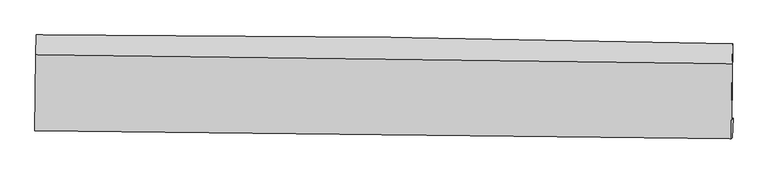
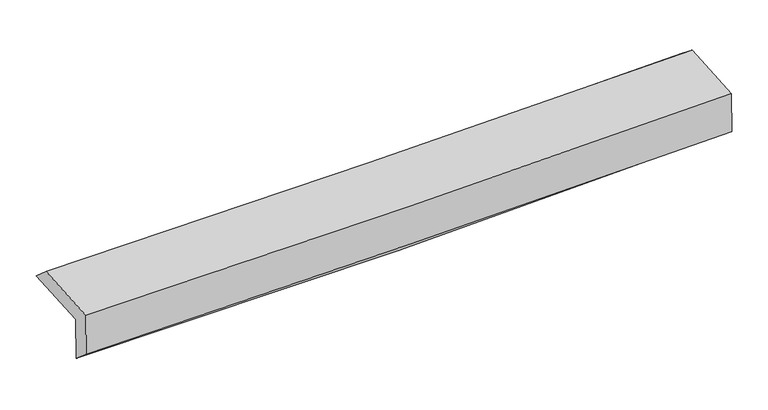
"""IFC4 building model written with IfcOpenShell, lengths in millimetres: proxy geometry."""

from ifc_helpers import new_model, si_unit, frame, origin, place, context, project, spatial, source, transform, mapped, element, save
from ifc_brep_helpers import plane_surface, spline_curve, spline_surface, advanced_brep


def generic_models_72e19114(model_context):
    return source(origin(), model_context, "Body", "AdvancedBrep", [
        advanced_brep(
        [(-3030.9930499, -1751.7982007, 1945.8196252), (-3024.3248693, -1094.2114149, 1980.332183), (3017.7606069, -1172.619481, 2133.9713384), (3009.9737905, -1828.4148391, 2113.5321523), (-3020.7296241, -1739.4735867, 1546.4718225), (3020.2429447, -1816.0833464, 1713.9614605), (-3026.4761939, -1914.0400898, 1694.1917398), (3014.852401, -1985.0507529, 1842.4089333), (-3036.747857, -1926.3745954, 2093.8600544), (3004.840362, -1997.0734944, 2231.975325), (-3030.0895354, -1267.290719, 2129.4390957), (3012.2248551, -1343.3246846, 2267.286629)],
        [
            (0, 1),
            (1, 2, spline_curve(3, [(-3024.3248693, -1094.2114149, 1980.332183), (-2016.567970597, -1094.019417951, 1976.586716312), (-1009.262223229, -1100.455336533, 1987.512885858), (1004.766555017, -1126.587150272, 2038.716622168), (2011.489300049, -1146.287254031, 2079.003504522), (3017.7606069, -1172.619481, 2133.9713384)], [4, 2, 4], [0.0, 9.914534796553943, 19.83221657613712])),
            (2, 3),
            (3, 0, spline_curve(3, [(3009.9737905, -1828.4148391, 2113.5321523), (2003.673471124, -1812.606933711, 2060.581026448), (997.029471619, -1798.317488882, 2020.129184891), (-1016.626359811, -1772.779572684, 1964.232940545), (-2023.637973742, -1761.530138187, 1948.780606305), (-3030.9930499, -1751.7982007, 1945.8196252)], [4, 2, 4], [0.0, 9.917681779583178, 19.83221657613712])),
            (4, 0),
            (3, 5),
            (5, 4, spline_curve(3, [(3020.2429447, -1816.0833464, 1713.9614605), (2014.025373878, -1800.17607405, 1657.790608173), (1007.422264378, -1785.837527153, 1615.747739013), (-1006.235503063, -1760.301936244, 1559.926824069), (-2013.289916691, -1749.103896478, 1546.139814072), (-3020.7296241, -1739.4735867, 1546.4718225)], [4, 2, 4], [0.0, 9.91692379150685, 19.830700840501922])),
            (6, 4),
            (5, 7),
            (7, 6, spline_curve(3, [(3014.852401, -1985.0507529, 1842.4089333), (2008.048722485, -1972.357142119, 1809.310594299), (1001.122927574, -1960.091910568, 1780.408697839), (-1012.653348054, -1936.421961388, 1731.005629457), (-2019.503751606, -1925.016972005, 1710.501794646), (-3026.4761939, -1914.0400898, 1694.1917398)], [4, 2, 4], [0.0, 9.916198326806608, 19.829250141298893])),
            (8, 6),
            (7, 9),
            (9, 8, spline_curve(3, [(3004.840362, -1997.0734944, 2231.975325), (1998.079032556, -1984.329029758, 2197.229195694), (991.152766602, -1972.064363744, 2168.345628932), (-1022.710077744, -1948.498368717, 2122.310925271), (-2029.646551513, -1937.196734921, 2105.156068453), (-3036.747857, -1926.3745954, 2093.8600544)], [4, 2, 4], [0.0, 9.915712752238049, 19.82827914623961])),
            (10, 8),
            (9, 11),
            (11, 10, spline_curve(3, [(3012.2248551, -1343.3246846, 2267.286629), (2005.307626491, -1331.333210851, 2232.495997528), (998.24288987, -1319.000250203, 2203.612501442), (-1015.862000405, -1293.65537853, 2157.667072194), (-2022.902060861, -1280.64368377, 2140.601390147), (-3030.0895354, -1267.290719, 2129.4390957)], [4, 2, 4], [0.0, 9.916425104675973, 19.829703625078658])),
            (1, 10),
            (11, 2),
        ],
        [
            spline_surface(3, 3, [[(-3030.9930499, -1751.7982007, 1945.8196252), (-2023.637973864, -1761.530138163, 1948.780606157), (-1016.626359869, -1772.779572791, 1964.232940398), (997.029471678, -1798.317488774, 2020.129185037), (2003.673471132, -1812.606933592, 2060.581026527), (3009.9737905, -1828.4148391, 2113.5321523)], [(-3028.770323038, -1532.602605429, 1957.32381111), (-2021.281306126, -1539.02656481, 1958.049309522), (-1014.17164771, -1548.671494029, 1971.992922192), (999.608499492, -1574.407375955, 2026.32499743), (2006.278747391, -1590.500373698, 2066.721852528), (3012.569395954, -1609.816386378, 2120.34521432)], [(-3026.547596162, -1313.407010171, 1968.82799709), (-2018.924638374, -1316.522991469, 1967.318012959), (-1011.716935522, -1324.563415259, 1979.752904001), (1002.187527336, -1350.497263127, 2032.520809839), (2008.884023686, -1368.39381387, 2072.862678569), (3015.165001446, -1391.217933722, 2127.15827638)], [(-3024.3248693, -1094.2114149, 1980.332183), (-2016.567970635, -1094.019418116, 1976.586716324), (-1009.262223363, -1100.455336497, 1987.512885794), (1004.766555151, -1126.587150308, 2038.716622232), (2011.489299944, -1146.287253976, 2079.003504571), (3017.7606069, -1172.619481, 2133.9713384)]], [4, 4], [4, 2, 4], [0.0, 2.2060220797920005], [0.0, 9.914534796553943, 19.83221657613712]),
            spline_surface(3, 3, [[(-3020.7296241, -1739.4735867, 1546.4718225), (-2013.289916693, -1749.103896402, 1546.139814076), (-1006.235503121, -1760.301936115, 1559.926824118), (1007.422264437, -1785.837527281, 1615.747738964), (2014.025373813, -1800.176074161, 1657.790608254), (3020.2429447, -1816.0833464, 1713.9614605)], [(-3024.150766032, -1743.581791356, 1679.587756751), (-2016.739269082, -1753.245976978, 1680.353411454), (-1009.699122048, -1764.461148356, 1694.695529546), (1003.958000173, -1789.997514461, 1750.541554323), (2010.574739603, -1804.319693984, 1792.054081013), (3016.819893317, -1820.193843979, 1847.151691102)], [(-3027.571907968, -1747.689996044, 1812.703690949), (-2020.188621475, -1757.388057586, 1814.567008779), (-1013.162740943, -1768.620360551, 1829.46423497), (1000.493735941, -1794.157501595, 1885.335369678), (2007.124105342, -1808.463313769, 1926.317553767), (3013.396841883, -1824.304341521, 1980.341921698)], [(-3030.9930499, -1751.7982007, 1945.8196252), (-2023.637973864, -1761.530138163, 1948.780606157), (-1016.626359869, -1772.779572791, 1964.232940398), (997.029471678, -1798.317488774, 2020.129185037), (2003.673471132, -1812.606933592, 2060.581026527), (3009.9737905, -1828.4148391, 2113.5321523)]], [4, 4], [4, 2, 4], [0.0, 1.3276566878630611], [0.0, 9.913777048995073, 19.830700840501922]),
            spline_surface(3, 3, [[(-3026.4761939, -1914.0400898, 1694.1917398), (-2019.503751578, -1925.016971938, 1710.501794671), (-1012.653348124, -1936.421961373, 1731.005629435), (1001.122927645, -1960.091910583, 1780.408697861), (2008.048722523, -1972.357142199, 1809.310594292), (3014.852401, -1985.0507529, 1842.4089333)], [(-3024.560670644, -1855.851255435, 1644.95176735), (-2017.432473294, -1866.379280094, 1655.71446779), (-1010.514066443, -1877.715286282, 1673.979361008), (1003.222706589, -1902.007116144, 1725.521711574), (2010.040939618, -1914.963452849, 1758.803932278), (3016.649248898, -1928.728284063, 1799.593109032)], [(-3022.645147356, -1797.662421065, 1595.71179495), (-2015.361194978, -1807.741588246, 1600.927140957), (-1008.374784803, -1819.008611206, 1616.953092545), (1005.322485492, -1843.92232172, 1670.634725252), (2012.033156718, -1857.56976351, 1708.297270268), (3018.446096802, -1872.405815237, 1756.777284768)], [(-3020.7296241, -1739.4735867, 1546.4718225), (-2013.289916693, -1749.103896402, 1546.139814076), (-1006.235503121, -1760.301936115, 1559.926824118), (1007.422264437, -1785.837527281, 1615.747738964), (2014.025373813, -1800.176074161, 1657.790608254), (3020.2429447, -1816.0833464, 1713.9614605)]], [4, 4], [4, 2, 4], [0.0, 0.7963108674490845], [0.0, 9.913051814492285, 19.829250141298893]),
            spline_surface(3, 3, [[(-3036.747857, -1926.3745954, 2093.8600544), (-2029.64655148, -1937.19673494, 2105.15606851), (-1022.710077734, -1948.498368618, 2122.310925289), (991.152766591, -1972.064363842, 2168.345628914), (1998.079032507, -1984.329029832, 2197.229195659), (3004.840362, -1997.0734944, 2231.975325)], [(-3033.3239693, -1922.263093548, 1960.637282886), (-2026.265618179, -1933.136813954, 1973.604643916), (-1019.357834535, -1944.472899523, 1991.875826682), (994.476153605, -1968.073546075, 2039.033318574), (2001.402262494, -1980.338400628, 2067.922995204), (3008.177708315, -1993.065913907, 2102.119861101)], [(-3029.9000816, -1918.151591652, 1827.414511314), (-2022.884684879, -1929.076892924, 1842.053219264), (-1016.005591323, -1940.447430468, 1861.440728042), (997.799540631, -1964.082728349, 1909.721008201), (2004.725492536, -1976.347771403, 1938.616794746), (3011.515054685, -1989.058333393, 1972.264397199)], [(-3026.4761939, -1914.0400898, 1694.1917398), (-2019.503751578, -1925.016971938, 1710.501794671), (-1012.653348124, -1936.421961373, 1731.005629435), (1001.122927645, -1960.091910583, 1780.408697861), (2008.048722523, -1972.357142199, 1809.310594292), (3014.852401, -1985.0507529, 1842.4089333)]], [4, 4], [4, 2, 4], [0.0, 1.2793132390045672], [0.0, 9.91256639400156, 19.82827914623961]),
            spline_surface(3, 3, [[(-3030.0895354, -1267.290719, 2129.4390957), (-2022.902060718, -1280.643683631, 2140.601390106), (-1015.862000483, -1293.655378418, 2157.667072035), (998.242889948, -1319.000250315, 2203.612501602), (2005.307626545, -1331.333210694, 2232.495997447), (3012.2248551, -1343.3246846, 2267.286629)], [(-3032.308975937, -1486.985344472, 2117.579415264), (-2025.150224309, -1499.494700739, 2128.786282905), (-1018.144692909, -1511.936375144, 2145.881689775), (995.879515486, -1536.68828815, 2191.856877361), (2002.898095198, -1548.998483728, 2220.740396856), (3009.763357398, -1561.240954521, 2255.516194338)], [(-3034.528416463, -1706.679969928, 2105.719734836), (-2027.398387889, -1718.345717832, 2116.971175711), (-1020.427385307, -1730.217371892, 2134.096307549), (993.516141052, -1754.376326007, 2180.101253155), (2000.488563855, -1766.663756799, 2208.98479625), (3007.301859702, -1779.157224479, 2243.745759662)], [(-3036.747857, -1926.3745954, 2093.8600544), (-2029.64655148, -1937.19673494, 2105.15606851), (-1022.710077734, -1948.498368618, 2122.310925289), (991.152766591, -1972.064363842, 2168.345628914), (1998.079032507, -1984.329029832, 2197.229195659), (3004.840362, -1997.0734944, 2231.975325)]], [4, 4], [4, 2, 4], [0.0, 2.1487631640047584], [0.0, 9.913278520402685, 19.829703625078658]),
            spline_surface(3, 3, [[(-3024.3248693, -1094.2114149, 1980.332183), (-2016.567970635, -1094.019418116, 1976.586716324), (-1009.262223363, -1100.455336497, 1987.512885794), (1004.766555151, -1126.587150308, 2038.716622232), (2011.489299944, -1146.287253976, 2079.003504571), (3017.7606069, -1172.619481, 2133.9713384)], [(-3026.246424649, -1151.904516261, 2030.034487238), (-2018.679333979, -1156.227506615, 2031.258274256), (-1011.46214905, -1164.855350479, 2044.230947867), (1002.592000102, -1190.724850318, 2093.681915348), (2009.428742162, -1207.969239567, 2130.167668869), (3015.915356317, -1229.521215552, 2178.409768606)], [(-3028.167980051, -1209.597617639, 2079.736791462), (-2020.790697374, -1218.435595132, 2085.929832174), (-1013.662074795, -1229.255364437, 2100.949009962), (1000.417444996, -1254.862550305, 2148.647208486), (2007.368184328, -1269.651225103, 2181.331833149), (3014.070105683, -1286.422950048, 2222.848198794)], [(-3030.0895354, -1267.290719, 2129.4390957), (-2022.902060718, -1280.643683631, 2140.601390106), (-1015.862000483, -1293.655378418, 2157.667072035), (998.242889948, -1319.000250315, 2203.612501602), (2005.307626545, -1331.333210694, 2232.495997447), (3012.2248551, -1343.3246846, 2267.286629)]], [4, 4], [4, 2, 4], [0.0, 0.8382641487161545], [0.0, 9.914525083471347, 19.83219714688889]),
            plane_surface(frame((3013.3158267, -1690.4277664, 2050.5226397), z_axis=(0.9995997788561565, -0.012657610234134416, 0.025299545724851838), x_axis=(0.025679766948021012, 0.030836995436747505, -0.9991944902179603))),
            plane_surface(frame((-3028.2268549, -1615.5314344, 1898.3524201), z_axis=(-0.9996132149459077, 0.011466219399144653, -0.02533665957061439), x_axis=(-0.01012592466430151, -0.9985743737570577, -0.0524088325131648))),
        ],
        [
            (0, [[1, 2, 3, 4]]),
            (1, [[5, -4, 6, 7]]),
            (2, [[8, -7, 9, 10]]),
            (3, [[11, -10, 12, 13]]),
            (4, [[14, -13, 15, 16]]),
            (5, [[17, -16, 18, -2]]),
            (6, [[-12, -9, -6, -3, -18, -15]]),
            (7, [[-1, -5, -8, -11, -14, -17]]),
        ],
    ),
    ])


if __name__ == "__main__":
    model = new_model("IFC4")
    model_context = context("Model", 3, world=origin())
    ifc_project = project(units=[si_unit("LENGTHUNIT", "METRE", prefix="MILLI")], contexts=[model_context])
    site = spatial("IfcSite", under=ifc_project)
    building = spatial("IfcBuilding", under=site)
    placement = place(None, origin())
    generic_models_shape = generic_models_72e19114(model_context)
    element("IfcBuildingElementProxy", 1, Name="Generic Models", at=placement, inside=building, context=model_context, shape_type="MappedRepresentation", body=[
        mapped(generic_models_shape, transform((0.0, 0.0, 0.0), x_axis=(1.0, 0.0, 0.0), y_axis=(0.0, 1.0, 0.0), z_axis=(0.0, 0.0, 1.0))),
    ])
    save(model, "model.ifc")
